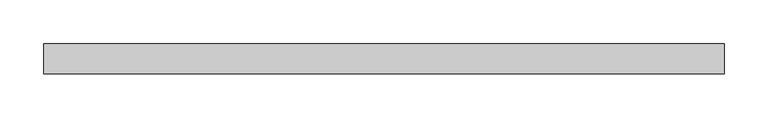
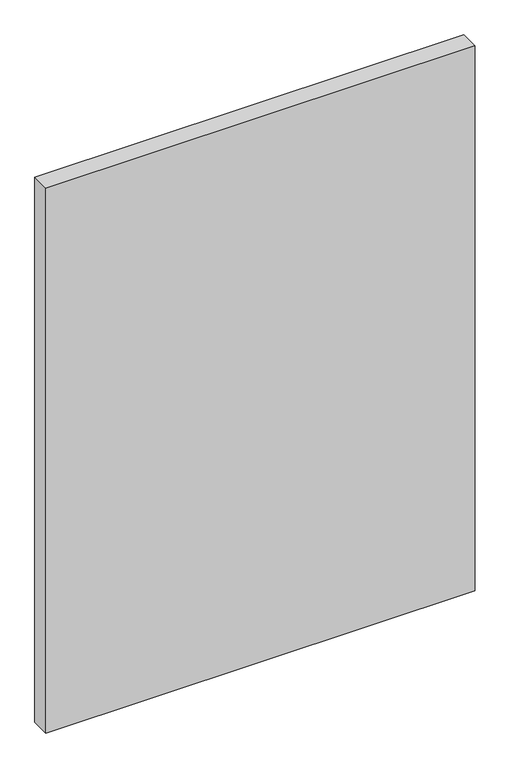
"""IFC4 building model written with IfcOpenShell, lengths in millimetres: plate geometry."""

from ifc_helpers import new_model, si_unit, origin, origin_with_axes, place, context, project, spatial, polyline, outline, extrude, source, transform, mapped, element, save


def plate_2a43cf14(model_context):
    return source(origin(), model_context, "Body", "SweptSolid", [
        extrude(outline(polyline([(391.3125, -17.5), (-391.3125, -17.5), (-391.3125, 17.5), (391.3125, 17.5), (391.3125, -17.5)])), origin_with_axes(), (0.0, 0.0, 1.0), 1050.125),
    ])


if __name__ == "__main__":
    model = new_model("IFC4")
    model_context = context("Model", 3, world=origin())
    ifc_project = project(units=[si_unit("LENGTHUNIT", "METRE", prefix="MILLI")], contexts=[model_context])
    site = spatial("IfcSite", under=ifc_project)
    building = spatial("IfcBuilding", under=site)
    placement = place(None, origin())
    plate_shape = plate_2a43cf14(model_context)
    element("IfcPlate", 1, at=placement, inside=building, context=model_context, shape_type="MappedRepresentation", body=[
        mapped(plate_shape, transform((0.0, 0.0, 0.0), x_axis=(1.0, 0.0, 0.0), y_axis=(0.0, 1.0, 0.0), z_axis=(0.0, 0.0, 1.0))),
    ])
    save(model, "model.ifc")
